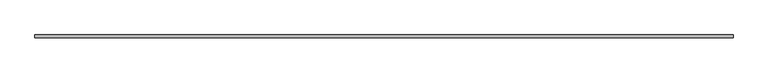
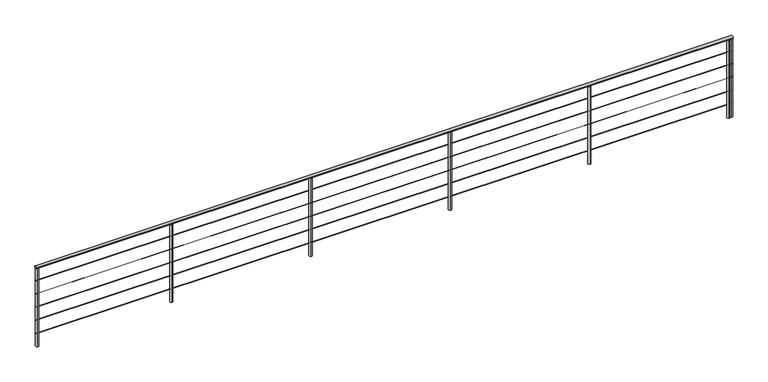
"""IFC4 building model written with IfcOpenShell, lengths in millimetres: railing geometry."""

from ifc_helpers import new_model, si_unit, point, frame, frame_2d, origin, origin_with_axes, place, context, project, spatial, circle_curve, trimmed, segment, composite_curve, outline, extrude, source, transform, mapped, element, save


def railing_926c9288(model_context):
    return source(origin(), model_context, "Body", "SweptSolid", [
        extrude(outline(composite_curve([segment(trimmed(circle_curve(frame_2d((12902.2944176, 1200.0)), 20.0), [point((12922.2944176, 1200.0))], [point((12882.2944176, 1200.0))], False, "CARTESIAN"), True, "CONTINUOUS"), segment(trimmed(circle_curve(frame_2d((12902.2944176, 1200.0)), 20.0), [point((12882.2944176, 1200.0))], [point((12922.2944176, 1200.0))], False, "CARTESIAN"), True, "CONTINUOUS")], self_intersect=False)), frame((4815.8426163, 0.0, 0.0), z_axis=(1.0, 0.0, 0.0), x_axis=(0.0, 1.0, 0.0)), (0.0, 0.0, 1.0), 10000.0),
        extrude(outline(composite_curve([segment(trimmed(circle_curve(frame_2d((12902.2944176, 997.0)), 3.0), [point((12905.2944176, 997.0))], [point((12899.2944176, 997.0))], False, "CARTESIAN"), True, "CONTINUOUS"), segment(trimmed(circle_curve(frame_2d((12902.2944176, 997.0)), 3.0), [point((12899.2944176, 997.0))], [point((12905.2944176, 997.0))], False, "CARTESIAN"), True, "CONTINUOUS")], self_intersect=False)), frame((4815.8426163, 0.0, 0.0), z_axis=(1.0, 0.0, 0.0), x_axis=(0.0, 1.0, 0.0)), (0.0, 0.0, 1.0), 10000.0),
        extrude(outline(composite_curve([segment(trimmed(circle_curve(frame_2d((12902.2944176, 797.0)), 3.0), [point((12905.2944176, 797.0))], [point((12899.2944176, 797.0))], False, "CARTESIAN"), True, "CONTINUOUS"), segment(trimmed(circle_curve(frame_2d((12902.2944176, 797.0)), 3.0), [point((12899.2944176, 797.0))], [point((12905.2944176, 797.0))], False, "CARTESIAN"), True, "CONTINUOUS")], self_intersect=False)), frame((4815.8426163, 0.0, 0.0), z_axis=(1.0, 0.0, 0.0), x_axis=(0.0, 1.0, 0.0)), (0.0, 0.0, 1.0), 10000.0),
        extrude(outline(composite_curve([segment(trimmed(circle_curve(frame_2d((12902.2944176, 597.0)), 3.0), [point((12905.2944176, 597.0))], [point((12899.2944176, 597.0))], False, "CARTESIAN"), True, "CONTINUOUS"), segment(trimmed(circle_curve(frame_2d((12902.2944176, 597.0)), 3.0), [point((12899.2944176, 597.0))], [point((12905.2944176, 597.0))], False, "CARTESIAN"), True, "CONTINUOUS")], self_intersect=False)), frame((4815.8426163, 0.0, 0.0), z_axis=(1.0, 0.0, 0.0), x_axis=(0.0, 1.0, 0.0)), (0.0, 0.0, 1.0), 10000.0),
        extrude(outline(composite_curve([segment(trimmed(circle_curve(frame_2d((12902.2944176, 397.0)), 3.0), [point((12905.2944176, 397.0))], [point((12899.2944176, 397.0))], False, "CARTESIAN"), True, "CONTINUOUS"), segment(trimmed(circle_curve(frame_2d((12902.2944176, 397.0)), 3.0), [point((12899.2944176, 397.0))], [point((12905.2944176, 397.0))], False, "CARTESIAN"), True, "CONTINUOUS")], self_intersect=False)), frame((4815.8426163, 0.0, 0.0), z_axis=(1.0, 0.0, 0.0), x_axis=(0.0, 1.0, 0.0)), (0.0, 0.0, 1.0), 10000.0),
        extrude(outline(composite_curve([segment(trimmed(circle_curve(frame_2d((12902.2944176, 197.0)), 3.0), [point((12905.2944176, 197.0))], [point((12899.2944176, 197.0))], False, "CARTESIAN"), True, "CONTINUOUS"), segment(trimmed(circle_curve(frame_2d((12902.2944176, 197.0)), 3.0), [point((12899.2944176, 197.0))], [point((12905.2944176, 197.0))], False, "CARTESIAN"), True, "CONTINUOUS")], self_intersect=False)), frame((4815.8426163, 0.0, 0.0), z_axis=(1.0, 0.0, 0.0), x_axis=(0.0, 1.0, 0.0)), (0.0, 0.0, 1.0), 10000.0),
        extrude(outline(composite_curve([segment(trimmed(circle_curve(frame_2d((14761.7885622, 12902.2944176)), 20.0), [point((14761.7885622, 12922.2944176))], [point((14761.7885622, 12882.2944176))], False, "CARTESIAN"), True, "CONTINUOUS"), segment(trimmed(circle_curve(frame_2d((14761.7885622, 12902.2944176)), 20.0), [point((14761.7885622, 12882.2944176))], [point((14761.7885622, 12922.2944176))], False, "CARTESIAN"), True, "CONTINUOUS")], self_intersect=False)), origin_with_axes(), (0.0, 0.0, 1.0), 1180.0),
        extrude(outline(composite_curve([segment(trimmed(circle_curve(frame_2d((12761.7885622, 12902.2944176)), 20.0), [point((12761.7885622, 12922.2944176))], [point((12761.7885622, 12882.2944176))], False, "CARTESIAN"), True, "CONTINUOUS"), segment(trimmed(circle_curve(frame_2d((12761.7885622, 12902.2944176)), 20.0), [point((12761.7885622, 12882.2944176))], [point((12761.7885622, 12922.2944176))], False, "CARTESIAN"), True, "CONTINUOUS")], self_intersect=False)), origin_with_axes(), (0.0, 0.0, 1.0), 1180.0),
        extrude(outline(composite_curve([segment(trimmed(circle_curve(frame_2d((10761.7885622, 12902.2944176)), 20.0), [point((10761.7885622, 12922.2944176))], [point((10761.7885622, 12882.2944176))], False, "CARTESIAN"), True, "CONTINUOUS"), segment(trimmed(circle_curve(frame_2d((10761.7885622, 12902.2944176)), 20.0), [point((10761.7885622, 12882.2944176))], [point((10761.7885622, 12922.2944176))], False, "CARTESIAN"), True, "CONTINUOUS")], self_intersect=False)), origin_with_axes(), (0.0, 0.0, 1.0), 1180.0),
        extrude(outline(composite_curve([segment(trimmed(circle_curve(frame_2d((8761.7885622, 12902.2944176)), 20.0), [point((8761.7885622, 12922.2944176))], [point((8761.7885622, 12882.2944176))], False, "CARTESIAN"), True, "CONTINUOUS"), segment(trimmed(circle_curve(frame_2d((8761.7885622, 12902.2944176)), 20.0), [point((8761.7885622, 12882.2944176))], [point((8761.7885622, 12922.2944176))], False, "CARTESIAN"), True, "CONTINUOUS")], self_intersect=False)), origin_with_axes(), (0.0, 0.0, 1.0), 1180.0),
        extrude(outline(composite_curve([segment(trimmed(circle_curve(frame_2d((6761.7885622, 12902.2944176)), 20.0), [point((6761.7885622, 12922.2944176))], [point((6761.7885622, 12882.2944176))], False, "CARTESIAN"), True, "CONTINUOUS"), segment(trimmed(circle_curve(frame_2d((6761.7885622, 12902.2944176)), 20.0), [point((6761.7885622, 12882.2944176))], [point((6761.7885622, 12922.2944176))], False, "CARTESIAN"), True, "CONTINUOUS")], self_intersect=False)), origin_with_axes(), (0.0, 0.0, 1.0), 1180.0),
        extrude(outline(composite_curve([segment(trimmed(circle_curve(frame_2d((14795.8426163, 12902.2944176)), 20.0), [point((14795.8426163, 12922.2944176))], [point((14795.8426163, 12882.2944176))], False, "CARTESIAN"), True, "CONTINUOUS"), segment(trimmed(circle_curve(frame_2d((14795.8426163, 12902.2944176)), 20.0), [point((14795.8426163, 12882.2944176))], [point((14795.8426163, 12922.2944176))], False, "CARTESIAN"), True, "CONTINUOUS")], self_intersect=False)), origin_with_axes(), (0.0, 0.0, 1.0), 1180.0),
        extrude(outline(composite_curve([segment(trimmed(circle_curve(frame_2d((4835.8426163, 12902.2944176)), 20.0), [point((4835.8426163, 12922.2944176))], [point((4835.8426163, 12882.2944176))], False, "CARTESIAN"), True, "CONTINUOUS"), segment(trimmed(circle_curve(frame_2d((4835.8426163, 12902.2944176)), 20.0), [point((4835.8426163, 12882.2944176))], [point((4835.8426163, 12922.2944176))], False, "CARTESIAN"), True, "CONTINUOUS")], self_intersect=False)), origin_with_axes(), (0.0, 0.0, 1.0), 1180.0),
    ])


if __name__ == "__main__":
    model = new_model("IFC4")
    model_context = context("Model", 3, world=origin())
    ifc_project = project(units=[si_unit("LENGTHUNIT", "METRE", prefix="MILLI")], contexts=[model_context])
    site = spatial("IfcSite", under=ifc_project)
    building = spatial("IfcBuilding", under=site)
    placement = place(None, origin())
    railing_shape = railing_926c9288(model_context)
    element("IfcRailing", 1, at=placement, inside=building, context=model_context, shape_type="MappedRepresentation", body=[
        mapped(railing_shape, transform((0.0, 0.0, 0.0), x_axis=(1.0, 0.0, 0.0), y_axis=(0.0, 1.0, 0.0), z_axis=(0.0, 0.0, 1.0))),
    ])
    save(model, "model.ifc")
